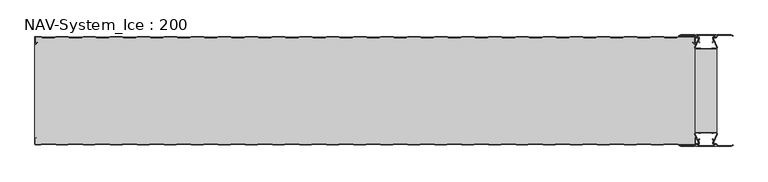
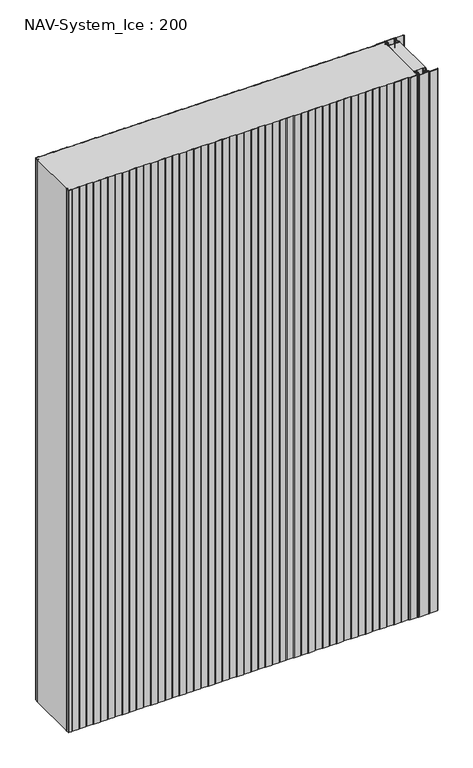
"""IFC4 building model written with IfcOpenShell, lengths in millimetres: plate geometry, NAV-System_Ice : 200."""

from ifc_helpers import new_model, si_unit, point, frame_2d, origin, origin_with_axes, place, context, project, spatial, polyline, circle_curve, trimmed, segment, composite_curve, outline, extrude, source, transform, mapped, element, save


def nav_system_ice_200_26bb3e6f(model_context):
    return source(origin(), model_context, "Body", "SweptSolid", [
        extrude(outline(polyline([(630.0, -176.9693935), (590.0, -176.9693935), (590.0, -23.0306065), (630.0, -23.0306065), (630.0, -176.9693935)])), origin_with_axes(), (0.0, 0.0, 1.0), 2000.0),
        extrude(outline(composite_curve([segment(trimmed(circle_curve(frame_2d((599.1138734, -191.8417863)), 3.357884), [point((596.1169606, -193.3563483))], [point((597.7243711, -188.7848813))], False, "CARTESIAN"), True, "CONTINUOUS"), segment(polyline([(597.7243711, -188.7848813), (598.0554135, -189.5131744)]), True, "CONTINUOUS"), segment(trimmed(circle_curve(frame_2d((599.1138734, -191.8417863)), 2.557884), [point((598.0554135, -189.5131744))], [point((596.8448746, -193.0226397))], True, "CARTESIAN"), True, "CONTINUOUS"), segment(polyline([(596.8448746, -193.0226397), (597.7376807, -195.2182139)]), True, "CONTINUOUS"), segment(trimmed(circle_curve(frame_2d((593.7962884, -196.3456266)), 4.0994674), [point((597.7376807, -195.2182139))], [point((593.7866434, -200.4450826))], False, "CARTESIAN"), True, "CONTINUOUS"), segment(polyline([(593.7866434, -200.4450826), (592.2194901, -200.4092333)]), True, "CONTINUOUS"), segment(trimmed(circle_curve(frame_2d((592.2592624, -201.3027113)), 0.8943628), [point((592.2194901, -200.4092333))], [point((592.2592624, -202.1970741))], True, "CARTESIAN"), True, "CONTINUOUS"), segment(polyline([(592.2592624, -202.1970741), (627.7407376, -202.1970741)]), True, "CONTINUOUS"), segment(trimmed(circle_curve(frame_2d((627.7407376, -201.3027113)), 0.8943628), [point((627.7407376, -202.1970741))], [point((627.7805099, -200.4092333))], True, "CARTESIAN"), True, "CONTINUOUS"), segment(polyline([(627.7805099, -200.4092333), (626.2133566, -200.4450826)]), True, "CONTINUOUS"), segment(trimmed(circle_curve(frame_2d((626.2037116, -196.3456266)), 4.0994674), [point((626.2133566, -200.4450826))], [point((622.2623193, -195.2182139))], False, "CARTESIAN"), True, "CONTINUOUS"), segment(polyline([(622.2623193, -195.2182139), (623.1551254, -193.0226397)]), True, "CONTINUOUS"), segment(trimmed(circle_curve(frame_2d((620.8861266, -191.8417863)), 2.557884), [point((623.1551254, -193.0226397))], [point((621.9445865, -189.5131744))], True, "CARTESIAN"), True, "CONTINUOUS"), segment(polyline([(621.9445865, -189.5131744), (622.2756289, -188.7848813)]), True, "CONTINUOUS"), segment(trimmed(circle_curve(frame_2d((620.8861266, -191.8417863)), 3.357884), [point((622.2756289, -188.7848813))], [point((623.8830394, -193.3563483))], False, "CARTESIAN"), True, "CONTINUOUS"), segment(polyline([(623.8830394, -193.3563483), (623.0205049, -195.4774793)]), True, "CONTINUOUS"), segment(trimmed(circle_curve(frame_2d((626.2037116, -196.3456266)), 3.2994674), [point((623.0205049, -195.4774793))], [point((626.2037116, -199.645094))], True, "CARTESIAN"), True, "CONTINUOUS"), segment(polyline([(626.2037116, -199.645094), (627.7848884, -199.6089239)]), True, "CONTINUOUS"), segment(trimmed(circle_curve(frame_2d((627.7407376, -201.3027113)), 1.6943628), [point((627.7848884, -199.6089239))], [point((627.7407423, -202.9970741))], False, "CARTESIAN"), True, "CONTINUOUS"), segment(polyline([(627.7407423, -202.9970741), (592.2592577, -202.9970741)]), True, "CONTINUOUS"), segment(trimmed(circle_curve(frame_2d((592.2592624, -201.3027113)), 1.6943628), [point((592.2592577, -202.9970741))], [point((592.2151116, -199.6089239))], False, "CARTESIAN"), True, "CONTINUOUS"), segment(polyline([(592.2151116, -199.6089239), (593.7962884, -199.645094)]), True, "CONTINUOUS"), segment(trimmed(circle_curve(frame_2d((593.7962884, -196.3456266)), 3.2994674), [point((593.7962884, -199.645094))], [point((596.9794951, -195.4774793))], True, "CARTESIAN"), True, "CONTINUOUS"), segment(polyline([(596.9794951, -195.4774793), (596.1169606, -193.3563483)]), True, "CONTINUOUS")], self_intersect=False)), origin_with_axes(), (0.0, 0.0, 1.0), 2000.0),
        extrude(outline(composite_curve([segment(polyline([(596.1169606, -6.6436517), (596.9794951, -4.5225207)]), True, "CONTINUOUS"), segment(trimmed(circle_curve(frame_2d((593.7962884, -3.6543734)), 3.2994674), [point((596.9794951, -4.5225207))], [point((593.7962884, -0.354906))], True, "CARTESIAN"), True, "CONTINUOUS"), segment(polyline([(593.7962884, -0.354906), (592.2151116, -0.3910761)]), True, "CONTINUOUS"), segment(trimmed(circle_curve(frame_2d((592.2592624, 1.3027113)), 1.6943628), [point((592.2151116, -0.3910761))], [point((592.2592577, 2.9970741))], False, "CARTESIAN"), True, "CONTINUOUS"), segment(polyline([(592.2592577, 2.9970741), (627.7407423, 2.9970741)]), True, "CONTINUOUS"), segment(trimmed(circle_curve(frame_2d((627.7407376, 1.3027113)), 1.6943628), [point((627.7407423, 2.9970741))], [point((627.7848884, -0.3910761))], False, "CARTESIAN"), True, "CONTINUOUS"), segment(polyline([(627.7848884, -0.3910761), (626.2037116, -0.354906)]), True, "CONTINUOUS"), segment(trimmed(circle_curve(frame_2d((626.2037116, -3.6543734)), 3.2994674), [point((626.2037116, -0.354906))], [point((623.0205049, -4.5225207))], True, "CARTESIAN"), True, "CONTINUOUS"), segment(polyline([(623.0205049, -4.5225207), (623.8830394, -6.6436517)]), True, "CONTINUOUS"), segment(trimmed(circle_curve(frame_2d((620.8861266, -8.1582137)), 3.357884), [point((623.8830394, -6.6436517))], [point((622.2756289, -11.2151187))], False, "CARTESIAN"), True, "CONTINUOUS"), segment(polyline([(622.2756289, -11.2151187), (621.9445865, -10.4868256)]), True, "CONTINUOUS"), segment(trimmed(circle_curve(frame_2d((620.8861266, -8.1582137)), 2.557884), [point((621.9445865, -10.4868256))], [point((623.1551254, -6.9773603))], True, "CARTESIAN"), True, "CONTINUOUS"), segment(polyline([(623.1551254, -6.9773603), (622.2623193, -4.7817861)]), True, "CONTINUOUS"), segment(trimmed(circle_curve(frame_2d((626.2037116, -3.6543734)), 4.0994674), [point((622.2623193, -4.7817861))], [point((626.2133566, 0.4450826))], False, "CARTESIAN"), True, "CONTINUOUS"), segment(polyline([(626.2133566, 0.4450826), (627.7805099, 0.4092333)]), True, "CONTINUOUS"), segment(trimmed(circle_curve(frame_2d((627.7407376, 1.3027113)), 0.8943628), [point((627.7805099, 0.4092333))], [point((627.7407376, 2.1970741))], True, "CARTESIAN"), True, "CONTINUOUS"), segment(polyline([(627.7407376, 2.1970741), (592.2592624, 2.1970741)]), True, "CONTINUOUS"), segment(trimmed(circle_curve(frame_2d((592.2592624, 1.3027113)), 0.8943628), [point((592.2592624, 2.1970741))], [point((592.2194901, 0.4092333))], True, "CARTESIAN"), True, "CONTINUOUS"), segment(polyline([(592.2194901, 0.4092333), (593.7866434, 0.4450826)]), True, "CONTINUOUS"), segment(trimmed(circle_curve(frame_2d((593.7962884, -3.6543734)), 4.0994674), [point((593.7866434, 0.4450826))], [point((597.7376807, -4.7817861))], False, "CARTESIAN"), True, "CONTINUOUS"), segment(polyline([(597.7376807, -4.7817861), (596.8448746, -6.9773603)]), True, "CONTINUOUS"), segment(trimmed(circle_curve(frame_2d((599.1138734, -8.1582137)), 2.557884), [point((596.8448746, -6.9773603))], [point((598.0554135, -10.4868256))], True, "CARTESIAN"), True, "CONTINUOUS"), segment(polyline([(598.0554135, -10.4868256), (597.7243711, -11.2151187)]), True, "CONTINUOUS"), segment(trimmed(circle_curve(frame_2d((599.1138734, -8.1582137)), 3.357884), [point((597.7243711, -11.2151187))], [point((596.1169606, -6.6436517))], False, "CARTESIAN"), True, "CONTINUOUS")], self_intersect=False)), origin_with_axes(), (0.0, 0.0, 1.0), 2000.0),
        extrude(outline(composite_curve([segment(trimmed(circle_curve(frame_2d((591.9446371, -179.7746821)), 1.80576), [point((591.9446371, -177.9689221))], [point((590.2170288, -180.300171))], True, "CARTESIAN"), True, "CONTINUOUS"), segment(polyline([(590.2170288, -180.300171), (596.4690067, -194.9459892)]), True, "CONTINUOUS"), segment(trimmed(circle_curve(frame_2d((593.7254406, -195.9868127)), 2.93436), [point((596.4690067, -194.9459892))], [point((593.7254406, -198.9211727))], False, "CARTESIAN"), True, "CONTINUOUS"), segment(polyline([(593.7254406, -198.9211727), (592.1347887, -198.9211727)]), True, "CONTINUOUS"), segment(trimmed(circle_curve(frame_2d((592.1347887, -200.5012127)), 1.58004), [point((592.1347887, -198.9211727))], [point((590.931072, -199.4776931))], True, "CARTESIAN"), True, "CONTINUOUS"), segment(polyline([(590.931072, -199.4776931), (589.0191946, -203.0112573), (562.9417977, -203.0112573), (560.0, -201.2043676), (560.523373, -200.3522639), (563.2243806, -202.0112573), (588.4232658, -202.0112573), (590.0952671, -198.9210361)]), True, "CONTINUOUS"), segment(trimmed(circle_curve(frame_2d((592.1347887, -200.5012127)), 2.58004), [point((590.0952671, -198.9210361))], [point((592.1347887, -197.9211727))], False, "CARTESIAN"), True, "CONTINUOUS"), segment(polyline([(592.1347887, -197.9211727), (593.7254406, -197.9211727)]), True, "CONTINUOUS"), segment(trimmed(circle_curve(frame_2d((593.7254406, -195.9868127)), 1.93436), [point((593.7254406, -197.9211727))], [point((595.5404425, -195.3178459))], True, "CARTESIAN"), True, "CONTINUOUS"), segment(polyline([(595.5404425, -195.3178459), (589.2784311, -180.6484726)]), True, "CONTINUOUS"), segment(trimmed(circle_curve(frame_2d((591.9446225, -179.7747413)), 2.8057055), [point((589.2784311, -180.6484726))], [point((591.9446225, -176.9690357))], False, "CARTESIAN"), True, "CONTINUOUS"), segment(polyline([(591.9446225, -176.9690357), (595.755568, -176.9690357)]), True, "CONTINUOUS"), segment(trimmed(circle_curve(frame_2d((595.7555679, -179.0975873)), 2.1285516), [point((595.755568, -176.9690357))], [point((597.1042828, -177.4508633))], False, "CARTESIAN"), True, "CONTINUOUS"), segment(trimmed(circle_curve(frame_2d((598.2552034, -176.0456377)), 1.8163913), [point((597.1042828, -177.4508633))], [point((599.4059468, -177.4510085))], True, "CARTESIAN"), True, "CONTINUOUS"), segment(trimmed(circle_curve(frame_2d((600.7543352, -179.0977575)), 2.128364), [point((599.4059468, -177.4510085))], [point((600.7543352, -176.9693935))], False, "CARTESIAN"), True, "CONTINUOUS"), segment(polyline([(600.7543352, -176.9693935), (619.2454674, -176.9693935)]), True, "CONTINUOUS"), segment(trimmed(circle_curve(frame_2d((619.2454674, -179.0977884)), 2.1283949), [point((619.2454674, -176.9693935))], [point((620.594293, -177.4513576))], False, "CARTESIAN"), True, "CONTINUOUS"), segment(trimmed(circle_curve(frame_2d((621.7456338, -176.0459847)), 1.8167715), [point((620.594293, -177.4513576))], [point((622.8963798, -177.4518446))], True, "CARTESIAN"), True, "CONTINUOUS"), segment(trimmed(circle_curve(frame_2d((624.244105, -179.0983528)), 2.1277576), [point((622.8963798, -177.4518446))], [point((624.244105, -176.9705952))], False, "CARTESIAN"), True, "CONTINUOUS"), segment(polyline([(624.244105, -176.9705952), (628.0535675, -176.9705952)]), True, "CONTINUOUS"), segment(trimmed(circle_curve(frame_2d((628.0535675, -179.7787791)), 2.8081839), [point((628.0535675, -176.9705952))], [point((630.7287795, -180.6326746))], False, "CARTESIAN"), True, "CONTINUOUS"), segment(polyline([(630.7287795, -180.6326746), (624.4595575, -195.3178459)]), True, "CONTINUOUS"), segment(trimmed(circle_curve(frame_2d((626.2745595, -195.9868127)), 1.93436), [point((624.4595575, -195.3178459))], [point((626.2745595, -197.9211727))], True, "CARTESIAN"), True, "CONTINUOUS"), segment(polyline([(626.2745595, -197.9211727), (627.8652113, -197.9211727)]), True, "CONTINUOUS"), segment(trimmed(circle_curve(frame_2d((627.8652113, -200.5012127)), 2.58004), [point((627.8652113, -197.9211727))], [point((629.9047329, -198.9210361))], False, "CARTESIAN"), True, "CONTINUOUS"), segment(polyline([(629.9047329, -198.9210361), (631.5767342, -202.0112573), (656.7756194, -202.0112573), (659.476627, -200.3522639), (660.0, -201.2043676), (657.0582024, -203.0112573), (630.9808054, -203.0112573), (629.068928, -199.4776931)]), True, "CONTINUOUS"), segment(trimmed(circle_curve(frame_2d((627.8652113, -200.5012127)), 1.58004), [point((629.068928, -199.4776931))], [point((627.8652113, -198.9211727))], True, "CARTESIAN"), True, "CONTINUOUS"), segment(polyline([(627.8652113, -198.9211727), (626.2745595, -198.9211727)]), True, "CONTINUOUS"), segment(trimmed(circle_curve(frame_2d((626.2745595, -195.9868127)), 2.93436), [point((626.2745595, -198.9211727))], [point((623.5309933, -194.9459892))], False, "CARTESIAN"), True, "CONTINUOUS"), segment(polyline([(623.5309933, -194.9459892), (629.7829713, -180.300171)]), True, "CONTINUOUS"), segment(trimmed(circle_curve(frame_2d((628.0553629, -179.7746822)), 1.80576), [point((629.7829713, -180.300171))], [point((628.0553629, -177.9689222))], True, "CARTESIAN"), True, "CONTINUOUS"), segment(polyline([(628.0553629, -177.9689222), (623.5184731, -177.9689222)]), True, "CONTINUOUS"), segment(trimmed(circle_curve(frame_2d((621.7449981, -176.0455076)), 2.6162449), [point((623.5184731, -177.9689222))], [point((619.7766029, -177.7689222))], False, "CARTESIAN"), True, "CONTINUOUS"), segment(polyline([(619.7766029, -177.7689222), (600.2233971, -177.7689222)]), True, "CONTINUOUS"), segment(trimmed(circle_curve(frame_2d((598.255002, -176.0455076)), 2.6162449), [point((600.2233971, -177.7689222))], [point((596.4815269, -177.9689221))], False, "CARTESIAN"), True, "CONTINUOUS"), segment(polyline([(596.4815269, -177.9689221), (591.9446371, -177.9689221)]), True, "CONTINUOUS")], self_intersect=False)), origin_with_axes(), (0.0, 0.0, 1.0), 2000.0),
        extrude(outline(composite_curve([segment(polyline([(591.9446371, -22.0310778), (596.4815269, -22.0310778)]), True, "CONTINUOUS"), segment(trimmed(circle_curve(frame_2d((598.2550019, -23.9544924)), 2.6162449), [point((596.4815269, -22.0310778))], [point((600.2233971, -22.2310778))], False, "CARTESIAN"), True, "CONTINUOUS"), segment(polyline([(600.2233971, -22.2310778), (619.7766029, -22.2310778)]), True, "CONTINUOUS"), segment(trimmed(circle_curve(frame_2d((621.7449981, -23.9544924)), 2.6162449), [point((619.7766029, -22.2310778))], [point((623.5184731, -22.0310778))], False, "CARTESIAN"), True, "CONTINUOUS"), segment(polyline([(623.5184731, -22.0310778), (628.0553629, -22.0310778)]), True, "CONTINUOUS"), segment(trimmed(circle_curve(frame_2d((628.0553629, -20.2253178)), 1.80576), [point((628.0553629, -22.0310778))], [point((629.7829712, -19.699829))], True, "CARTESIAN"), True, "CONTINUOUS"), segment(polyline([(629.7829712, -19.699829), (623.5309933, -5.0540108)]), True, "CONTINUOUS"), segment(trimmed(circle_curve(frame_2d((626.2745594, -4.0131873)), 2.93436), [point((623.5309933, -5.0540108))], [point((626.2745594, -1.0788273))], False, "CARTESIAN"), True, "CONTINUOUS"), segment(polyline([(626.2745594, -1.0788273), (627.8652113, -1.0788273)]), True, "CONTINUOUS"), segment(trimmed(circle_curve(frame_2d((627.8652113, 0.5012127)), 1.58004), [point((627.8652113, -1.0788273))], [point((629.068928, -0.5223069))], True, "CARTESIAN"), True, "CONTINUOUS"), segment(polyline([(629.068928, -0.5223069), (630.9808054, 3.0112573), (657.0582023, 3.0112573), (660.0, 1.2043676), (659.476627, 0.3522639), (656.7756194, 2.0112573), (631.5767342, 2.0112573), (629.9047329, -1.0789639)]), True, "CONTINUOUS"), segment(trimmed(circle_curve(frame_2d((627.8652113, 0.5012127)), 2.58004), [point((629.9047329, -1.0789639))], [point((627.8652113, -2.0788273))], False, "CARTESIAN"), True, "CONTINUOUS"), segment(polyline([(627.8652113, -2.0788273), (626.2745594, -2.0788273)]), True, "CONTINUOUS"), segment(trimmed(circle_curve(frame_2d((626.2745594, -4.0131873)), 1.93436), [point((626.2745594, -2.0788273))], [point((624.4595575, -4.6821541))], True, "CARTESIAN"), True, "CONTINUOUS"), segment(polyline([(624.4595575, -4.6821541), (630.7287795, -19.3673254)]), True, "CONTINUOUS"), segment(trimmed(circle_curve(frame_2d((628.0535675, -20.2212209)), 2.8081839), [point((630.7287795, -19.3673254))], [point((628.0535675, -23.0294048))], False, "CARTESIAN"), True, "CONTINUOUS"), segment(polyline([(628.0535675, -23.0294048), (624.244105, -23.0294048)]), True, "CONTINUOUS"), segment(trimmed(circle_curve(frame_2d((624.244105, -20.9016472)), 2.1277576), [point((624.244105, -23.0294048))], [point((622.8963798, -22.5481554))], False, "CARTESIAN"), True, "CONTINUOUS"), segment(trimmed(circle_curve(frame_2d((621.7456337, -23.9540153)), 1.8167716), [point((622.8963798, -22.5481554))], [point((620.5942929, -22.5486423))], True, "CARTESIAN"), True, "CONTINUOUS"), segment(trimmed(circle_curve(frame_2d((619.2454674, -20.9022116)), 2.1283949), [point((620.5942929, -22.5486423))], [point((619.2454674, -23.0306065))], False, "CARTESIAN"), True, "CONTINUOUS"), segment(polyline([(619.2454674, -23.0306065), (600.7543352, -23.0306065)]), True, "CONTINUOUS"), segment(trimmed(circle_curve(frame_2d((600.7543352, -20.9022425)), 2.128364), [point((600.7543352, -23.0306065))], [point((599.4059468, -22.5489915))], False, "CARTESIAN"), True, "CONTINUOUS"), segment(trimmed(circle_curve(frame_2d((598.2552034, -23.9543623)), 1.8163912), [point((599.4059468, -22.5489915))], [point((597.1042828, -22.5491367))], True, "CARTESIAN"), True, "CONTINUOUS"), segment(trimmed(circle_curve(frame_2d((595.7555679, -20.9024127)), 2.1285516), [point((597.1042828, -22.5491367))], [point((595.7555679, -23.0309643))], False, "CARTESIAN"), True, "CONTINUOUS"), segment(polyline([(595.7555679, -23.0309643), (591.9446225, -23.0309643)]), True, "CONTINUOUS"), segment(trimmed(circle_curve(frame_2d((591.9446225, -20.2252587)), 2.8057055), [point((591.9446225, -23.0309643))], [point((589.2784311, -19.3515274))], False, "CARTESIAN"), True, "CONTINUOUS"), segment(polyline([(589.2784311, -19.3515274), (595.5404425, -4.6821541)]), True, "CONTINUOUS"), segment(trimmed(circle_curve(frame_2d((593.7254406, -4.0131873)), 1.93436), [point((595.5404425, -4.6821541))], [point((593.7254406, -2.0788273))], True, "CARTESIAN"), True, "CONTINUOUS"), segment(polyline([(593.7254406, -2.0788273), (592.1347887, -2.0788273)]), True, "CONTINUOUS"), segment(trimmed(circle_curve(frame_2d((592.1347887, 0.5012127)), 2.58004), [point((592.1347887, -2.0788273))], [point((590.0952671, -1.0789639))], False, "CARTESIAN"), True, "CONTINUOUS"), segment(polyline([(590.0952671, -1.0789639), (588.4232658, 2.0112573), (563.2243806, 2.0112573), (560.523373, 0.3522639), (560.0, 1.2043676), (562.9417977, 3.0112573), (589.0191946, 3.0112573), (590.931072, -0.5223069)]), True, "CONTINUOUS"), segment(trimmed(circle_curve(frame_2d((592.1347887, 0.5012127)), 1.58004), [point((590.931072, -0.5223069))], [point((592.1347887, -1.0788273))], True, "CARTESIAN"), True, "CONTINUOUS"), segment(polyline([(592.1347887, -1.0788273), (593.7254406, -1.0788273)]), True, "CONTINUOUS"), segment(trimmed(circle_curve(frame_2d((593.7254406, -4.0131873)), 2.93436), [point((593.7254406, -1.0788273))], [point((596.4690067, -5.0540108))], False, "CARTESIAN"), True, "CONTINUOUS"), segment(polyline([(596.4690067, -5.0540108), (590.2170288, -19.699829)]), True, "CONTINUOUS"), segment(trimmed(circle_curve(frame_2d((591.9446371, -20.2253178)), 1.80576), [point((590.2170288, -19.699829))], [point((591.9446371, -22.0310778))], True, "CARTESIAN"), True, "CONTINUOUS")], self_intersect=False)), origin_with_axes(), (0.0, 0.0, 1.0), 2000.0),
        extrude(outline(composite_curve([segment(polyline([(559.1298221, -0.8), (556.1298221, -1.8), (533.8701779, -1.8), (530.8701779, -0.8), (509.1298221, -0.8), (506.1298221, -1.8), (483.8701779, -1.8), (480.8701779, -0.8), (459.1298221, -0.8), (456.1298221, -1.8), (433.8701779, -1.8), (430.8701779, -0.8), (409.1298221, -0.8), (406.1298221, -1.8), (383.8701779, -1.8), (380.8701779, -0.8), (359.1298221, -0.8), (356.1298221, -1.8), (333.8701779, -1.8), (330.8701779, -0.8), (309.1298221, -0.8), (306.1298221, -1.8), (283.8701779, -1.8), (280.8701779, -0.8), (259.1298221, -0.8), (256.1298221, -1.8), (233.8701779, -1.8), (230.8701779, -0.8), (209.1298221, -0.8), (206.1298221, -1.8), (183.8701779, -1.8), (180.8701779, -0.8), (159.1298221, -0.8), (156.1298221, -1.8), (133.8701779, -1.8), (130.8701779, -0.8), (109.1298221, -0.8), (106.1298221, -1.8), (83.8701779, -1.8), (80.8701779, -0.8), (59.1298221, -0.8), (56.1298221, -1.8), (33.8701779, -1.8), (30.8701779, -0.8), (9.1298221, -0.8), (6.1298221, -1.8), (-16.1298221, -1.8), (-19.1298221, -0.8), (-40.8701779, -0.8), (-43.8701779, -1.8), (-66.1298221, -1.8), (-69.1298221, -0.8), (-90.8701779, -0.8), (-93.8701779, -1.8), (-116.1298221, -1.8), (-119.1298221, -0.8), (-140.8701779, -0.8), (-143.8701779, -1.8), (-166.1298221, -1.8), (-169.1298221, -0.8), (-190.8701779, -0.8), (-193.8701779, -1.8), (-216.1298221, -1.8), (-219.1298221, -0.8), (-240.8701779, -0.8), (-243.8701779, -1.8), (-266.1298221, -1.8), (-269.1298221, -0.8), (-290.8701779, -0.8), (-293.8701779, -1.8), (-316.1298221, -1.8), (-319.1298221, -0.8), (-340.8701779, -0.8), (-343.8701779, -1.8), (-366.1298221, -1.8), (-369.1298221, -0.8), (-390.8701779, -0.8), (-393.8701779, -1.8), (-416.1298221, -1.8), (-419.1298221, -0.8), (-440.8701779, -0.8), (-443.8701779, -1.8), (-466.1298221, -1.8), (-469.1298221, -0.8), (-490.8701779, -0.8), (-493.8701779, -1.8), (-516.1298221, -1.8), (-519.1298221, -0.8), (-540.8701779, -0.8), (-543.8701779, -1.8), (-566.1298221, -1.8), (-569.1298221, -0.8), (-590.8701779, -0.8), (-593.8701779, -1.8), (-616.1298221, -1.8), (-619.1298221, -0.8), (-628.7, -0.8)]), True, "CONTINUOUS"), segment(trimmed(circle_curve(frame_2d((-628.7, -1.3)), 0.5), [point((-628.7, -0.8))], [point((-629.2, -1.3))], True, "CARTESIAN"), True, "CONTINUOUS"), segment(polyline([(-629.2, -1.3), (-629.2, -12.5857864)]), True, "CONTINUOUS"), segment(trimmed(circle_curve(frame_2d((-628.7, -12.5857864)), 0.5), [point((-629.2, -12.5857864))], [point((-628.3464466, -12.9393398))], True, "CARTESIAN"), True, "CONTINUOUS"), segment(polyline([(-628.3464466, -12.9393398), (-625.9205321, -10.5134253), (-625.3548467, -11.0791108), (-627.7807612, -13.5050253)]), True, "CONTINUOUS"), segment(trimmed(circle_curve(frame_2d((-628.7, -12.5857864)), 1.3), [point((-627.7807612, -13.5050253))], [point((-630.0, -12.5857864))], False, "CARTESIAN"), True, "CONTINUOUS"), segment(polyline([(-630.0, -12.5857864), (-630.0, -1.3)]), True, "CONTINUOUS"), segment(trimmed(circle_curve(frame_2d((-628.7, -1.3)), 1.3), [point((-630.0, -1.3))], [point((-628.7, 0.0))], False, "CARTESIAN"), True, "CONTINUOUS"), segment(polyline([(-628.7, 0.0), (-619.0, 0.0), (-616.0, -1.0), (-594.0, -1.0), (-591.0, 0.0), (-569.0, 0.0), (-566.0, -1.0), (-544.0, -1.0), (-541.0, 0.0), (-519.0, 0.0), (-516.0, -1.0), (-494.0, -1.0), (-491.0, 0.0), (-469.0, 0.0), (-466.0, -1.0), (-444.0, -1.0), (-441.0, 0.0), (-419.0, 0.0), (-416.0, -1.0), (-394.0, -1.0), (-391.0, 0.0), (-369.0, 0.0), (-366.0, -1.0), (-344.0, -1.0), (-341.0, 0.0), (-319.0, 0.0), (-316.0, -1.0), (-294.0, -1.0), (-291.0, 0.0), (-269.0, 0.0), (-266.0, -1.0), (-244.0, -1.0), (-241.0, 0.0), (-219.0, 0.0), (-216.0, -1.0), (-194.0, -1.0), (-191.0, 0.0), (-169.0, 0.0), (-166.0, -1.0), (-144.0, -1.0), (-141.0, 0.0), (-119.0, 0.0), (-116.0, -1.0), (-94.0, -1.0), (-91.0, 0.0), (-69.0, 0.0), (-66.0, -1.0), (-44.0, -1.0), (-41.0, 0.0), (-19.0, 0.0), (-16.0, -1.0), (6.0, -1.0), (9.0, 0.0), (31.0, 0.0), (34.0, -1.0), (56.0, -1.0), (59.0, 0.0), (81.0, 0.0), (84.0, -1.0), (106.0, -1.0), (109.0, 0.0), (131.0, 0.0), (134.0, -1.0), (156.0, -1.0), (159.0, 0.0), (181.0, 0.0), (184.0, -1.0), (206.0, -1.0), (209.0, 0.0), (231.0, 0.0), (234.0, -1.0), (256.0, -1.0), (259.0, 0.0), (281.0, 0.0), (284.0, -1.0), (306.0, -1.0), (309.0, 0.0), (331.0, 0.0), (334.0, -1.0), (356.0, -1.0), (359.0, 0.0), (381.0, 0.0), (384.0, -1.0), (406.0, -1.0), (409.0, 0.0), (431.0, 0.0), (434.0, -1.0), (456.0, -1.0), (459.0, 0.0), (481.0, 0.0), (484.0, -1.0), (506.0, -1.0), (509.0, 0.0), (531.0, 0.0), (534.0, -1.0), (556.0, -1.0), (559.0, 0.0), (588.7, 0.0)]), True, "CONTINUOUS"), segment(trimmed(circle_curve(frame_2d((588.7, -1.3)), 1.3), [point((588.7, 0.0))], [point((590.0, -1.3))], False, "CARTESIAN"), True, "CONTINUOUS"), segment(polyline([(590.0, -1.3), (590.0, -12.5857864)]), True, "CONTINUOUS"), segment(trimmed(circle_curve(frame_2d((588.7, -12.5857864)), 1.3), [point((590.0, -12.5857864))], [point((587.7807612, -13.5050253))], False, "CARTESIAN"), True, "CONTINUOUS"), segment(polyline([(587.7807612, -13.5050253), (585.3548467, -11.0791108), (585.9205321, -10.5134253), (588.3464466, -12.9393398)]), True, "CONTINUOUS"), segment(trimmed(circle_curve(frame_2d((588.7, -12.5857864)), 0.5), [point((588.3464466, -12.9393398))], [point((589.2, -12.5857864))], True, "CARTESIAN"), True, "CONTINUOUS"), segment(polyline([(589.2, -12.5857864), (589.2, -1.3)]), True, "CONTINUOUS"), segment(trimmed(circle_curve(frame_2d((588.7, -1.3)), 0.5), [point((589.2, -1.3))], [point((588.7, -0.8))], True, "CARTESIAN"), True, "CONTINUOUS"), segment(polyline([(588.7, -0.8), (559.1298221, -0.8)]), True, "CONTINUOUS")], self_intersect=False)), origin_with_axes(), (0.0, 0.0, 1.0), 2000.0),
        extrude(outline(composite_curve([segment(polyline([(559.1298221, -0.8), (588.7, -0.8)]), True, "CONTINUOUS"), segment(trimmed(circle_curve(frame_2d((588.7, -1.3)), 0.5), [point((588.7, -0.8))], [point((589.2, -1.3))], False, "CARTESIAN"), True, "CONTINUOUS"), segment(polyline([(589.2, -1.3), (589.2, -12.5857864)]), True, "CONTINUOUS"), segment(trimmed(circle_curve(frame_2d((588.7, -12.5857864)), 0.5), [point((589.2, -12.5857864))], [point((588.3464466, -12.9393398))], False, "CARTESIAN"), True, "CONTINUOUS"), segment(polyline([(588.3464466, -12.9393398), (585.9205321, -10.5134253), (585.3548467, -11.0791108), (587.7807612, -13.5050253)]), True, "CONTINUOUS"), segment(trimmed(circle_curve(frame_2d((588.7, -12.5857864)), 1.3), [point((587.7807612, -13.5050253))], [point((588.7, -13.8857864))], True, "CARTESIAN"), True, "CONTINUOUS"), segment(polyline([(588.7, -13.8857864), (590.0, -13.8857864), (590.0, -186.1142136), (588.7, -186.1142136)]), True, "CONTINUOUS"), segment(trimmed(circle_curve(frame_2d((588.7, -187.4142136)), 1.3), [point((588.7, -186.1142136))], [point((587.7807612, -186.4949747))], True, "CARTESIAN"), True, "CONTINUOUS"), segment(polyline([(587.7807612, -186.4949747), (585.3548467, -188.9208892), (585.9205321, -189.4865747), (588.3464466, -187.0606602)]), True, "CONTINUOUS"), segment(trimmed(circle_curve(frame_2d((588.7, -187.4142136)), 0.5), [point((588.3464466, -187.0606602))], [point((589.2, -187.4142136))], False, "CARTESIAN"), True, "CONTINUOUS"), segment(polyline([(589.2, -187.4142136), (589.2, -198.7)]), True, "CONTINUOUS"), segment(trimmed(circle_curve(frame_2d((588.7, -198.7)), 0.5), [point((589.2, -198.7))], [point((588.7, -199.2))], False, "CARTESIAN"), True, "CONTINUOUS"), segment(polyline([(588.7, -199.2), (559.1298221, -199.2), (556.1298221, -198.2), (533.8701779, -198.2), (530.8701779, -199.2), (509.1298221, -199.2), (506.1298221, -198.2), (483.8701779, -198.2), (480.8701779, -199.2), (459.1298221, -199.2), (456.1298221, -198.2), (433.8701779, -198.2), (430.8701779, -199.2), (409.1298221, -199.2), (406.1298221, -198.2), (383.8701779, -198.2), (380.8701779, -199.2), (359.1298221, -199.2), (356.1298221, -198.2), (333.8701779, -198.2), (330.8701779, -199.2), (309.1298221, -199.2), (306.1298221, -198.2), (283.8701779, -198.2), (280.8701779, -199.2), (259.1298221, -199.2), (256.1298221, -198.2), (233.8701779, -198.2), (230.8701779, -199.2), (209.1298221, -199.2), (206.1298221, -198.2), (183.8701779, -198.2), (180.8701779, -199.2), (159.1298221, -199.2), (156.1298221, -198.2), (133.8701779, -198.2), (130.8701779, -199.2), (109.1298221, -199.2), (106.1298221, -198.2), (83.8701779, -198.2), (80.8701779, -199.2), (59.1298221, -199.2), (56.1298221, -198.2), (33.8701779, -198.2), (30.8701779, -199.2), (9.1298221, -199.2), (6.1298221, -198.2), (-16.1298221, -198.2), (-19.1298221, -199.2), (-40.8701779, -199.2), (-43.8701779, -198.2), (-66.1298221, -198.2), (-69.1298221, -199.2), (-90.8701779, -199.2), (-93.8701779, -198.2), (-116.1298221, -198.2), (-119.1298221, -199.2), (-140.8701779, -199.2), (-143.8701779, -198.2), (-166.1298221, -198.2), (-169.1298221, -199.2), (-190.8701779, -199.2), (-193.8701779, -198.2), (-216.1298221, -198.2), (-219.1298221, -199.2), (-240.8701779, -199.2), (-243.8701779, -198.2), (-266.1298221, -198.2), (-269.1298221, -199.2), (-290.8701779, -199.2), (-293.8701779, -198.2), (-316.1298221, -198.2), (-319.1298221, -199.2), (-340.8701779, -199.2), (-343.8701779, -198.2), (-366.1298221, -198.2), (-369.1298221, -199.2), (-390.8701779, -199.2), (-393.8701779, -198.2), (-416.1298221, -198.2), (-419.1298221, -199.2), (-440.8701779, -199.2), (-443.8701779, -198.2), (-466.1298221, -198.2), (-469.1298221, -199.2), (-490.8701779, -199.2), (-493.8701779, -198.2), (-516.1298221, -198.2), (-519.1298221, -199.2), (-540.8701779, -199.2), (-543.8701779, -198.2), (-566.1298221, -198.2), (-569.1298221, -199.2), (-590.8701779, -199.2), (-593.8701779, -198.2), (-616.1298221, -198.2), (-619.1298221, -199.2), (-628.7, -199.2)]), True, "CONTINUOUS"), segment(trimmed(circle_curve(frame_2d((-628.7, -198.7)), 0.5), [point((-628.7, -199.2))], [point((-629.2, -198.7))], False, "CARTESIAN"), True, "CONTINUOUS"), segment(polyline([(-629.2, -198.7), (-629.2, -187.4142136)]), True, "CONTINUOUS"), segment(trimmed(circle_curve(frame_2d((-628.7, -187.4142136)), 0.5), [point((-629.2, -187.4142136))], [point((-628.3464466, -187.0606602))], False, "CARTESIAN"), True, "CONTINUOUS"), segment(polyline([(-628.3464466, -187.0606602), (-625.9205321, -189.4865747), (-625.3548467, -188.9208892), (-627.7807612, -186.4949747)]), True, "CONTINUOUS"), segment(trimmed(circle_curve(frame_2d((-628.7, -187.4142136)), 1.3), [point((-627.7807612, -186.4949747))], [point((-628.7, -186.1142136))], True, "CARTESIAN"), True, "CONTINUOUS"), segment(polyline([(-628.7, -186.1142136), (-630.0, -186.1142136), (-630.0, -13.8857864), (-628.7, -13.8857864)]), True, "CONTINUOUS"), segment(trimmed(circle_curve(frame_2d((-628.7, -12.5857864)), 1.3), [point((-628.7, -13.8857864))], [point((-627.7807612, -13.5050253))], True, "CARTESIAN"), True, "CONTINUOUS"), segment(polyline([(-627.7807612, -13.5050253), (-625.3548467, -11.0791108), (-625.9205321, -10.5134253), (-628.3464466, -12.9393398)]), True, "CONTINUOUS"), segment(trimmed(circle_curve(frame_2d((-628.7, -12.5857864)), 0.5), [point((-628.3464466, -12.9393398))], [point((-629.2, -12.5857864))], False, "CARTESIAN"), True, "CONTINUOUS"), segment(polyline([(-629.2, -12.5857864), (-629.2, -1.3)]), True, "CONTINUOUS"), segment(trimmed(circle_curve(frame_2d((-628.7, -1.3)), 0.5), [point((-629.2, -1.3))], [point((-628.7, -0.8))], False, "CARTESIAN"), True, "CONTINUOUS"), segment(polyline([(-628.7, -0.8), (-619.1298221, -0.8), (-616.1298221, -1.8), (-593.8701779, -1.8), (-590.8701779, -0.8), (-569.1298221, -0.8), (-566.1298221, -1.8), (-543.8701779, -1.8), (-540.8701779, -0.8), (-519.1298221, -0.8), (-516.1298221, -1.8), (-493.8701779, -1.8), (-490.8701779, -0.8), (-469.1298221, -0.8), (-466.1298221, -1.8), (-443.8701779, -1.8), (-440.8701779, -0.8), (-419.1298221, -0.8), (-416.1298221, -1.8), (-393.8701779, -1.8), (-390.8701779, -0.8), (-369.1298221, -0.8), (-366.1298221, -1.8), (-343.8701779, -1.8), (-340.8701779, -0.8), (-319.1298221, -0.8), (-316.1298221, -1.8), (-293.8701779, -1.8), (-290.8701779, -0.8), (-269.1298221, -0.8), (-266.1298221, -1.8), (-243.8701779, -1.8), (-240.8701779, -0.8), (-219.1298221, -0.8), (-216.1298221, -1.8), (-193.8701779, -1.8), (-190.8701779, -0.8), (-169.1298221, -0.8), (-166.1298221, -1.8), (-143.8701779, -1.8), (-140.8701779, -0.8), (-119.1298221, -0.8), (-116.1298221, -1.8), (-93.8701779, -1.8), (-90.8701779, -0.8), (-69.1298221, -0.8), (-66.1298221, -1.8), (-43.8701779, -1.8), (-40.8701779, -0.8), (-19.1298221, -0.8), (-16.1298221, -1.8), (6.1298221, -1.8), (9.1298221, -0.8), (30.8701779, -0.8), (33.8701779, -1.8), (56.1298221, -1.8), (59.1298221, -0.8), (80.8701779, -0.8), (83.8701779, -1.8), (106.1298221, -1.8), (109.1298221, -0.8), (130.8701779, -0.8), (133.8701779, -1.8), (156.1298221, -1.8), (159.1298221, -0.8), (180.8701779, -0.8), (183.8701779, -1.8), (206.1298221, -1.8), (209.1298221, -0.8), (230.8701779, -0.8), (233.8701779, -1.8), (256.1298221, -1.8), (259.1298221, -0.8), (280.8701779, -0.8), (283.8701779, -1.8), (306.1298221, -1.8), (309.1298221, -0.8), (330.8701779, -0.8), (333.8701779, -1.8), (356.1298221, -1.8), (359.1298221, -0.8), (380.8701779, -0.8), (383.8701779, -1.8), (406.1298221, -1.8), (409.1298221, -0.8), (430.8701779, -0.8), (433.8701779, -1.8), (456.1298221, -1.8), (459.1298221, -0.8), (480.8701779, -0.8), (483.8701779, -1.8), (506.1298221, -1.8), (509.1298221, -0.8), (530.8701779, -0.8), (533.8701779, -1.8), (556.1298221, -1.8), (559.1298221, -0.8)]), True, "CONTINUOUS")], self_intersect=False)), origin_with_axes(), (0.0, 0.0, 1.0), 2000.0),
        extrude(outline(composite_curve([segment(polyline([(559.1298221, -199.2), (588.7, -199.2)]), True, "CONTINUOUS"), segment(trimmed(circle_curve(frame_2d((588.7, -198.7)), 0.5), [point((588.7, -199.2))], [point((589.2, -198.7))], True, "CARTESIAN"), True, "CONTINUOUS"), segment(polyline([(589.2, -198.7), (589.2, -187.4142136)]), True, "CONTINUOUS"), segment(trimmed(circle_curve(frame_2d((588.7, -187.4142136)), 0.5), [point((589.2, -187.4142136))], [point((588.3464466, -187.0606602))], True, "CARTESIAN"), True, "CONTINUOUS"), segment(polyline([(588.3464466, -187.0606602), (585.9205321, -189.4865747), (585.3548467, -188.9208892), (587.7807612, -186.4949747)]), True, "CONTINUOUS"), segment(trimmed(circle_curve(frame_2d((588.7, -187.4142136)), 1.3), [point((587.7807612, -186.4949747))], [point((590.0, -187.4142136))], False, "CARTESIAN"), True, "CONTINUOUS"), segment(polyline([(590.0, -187.4142136), (590.0, -198.7)]), True, "CONTINUOUS"), segment(trimmed(circle_curve(frame_2d((588.7, -198.7)), 1.3), [point((590.0, -198.7))], [point((588.7, -200.0))], False, "CARTESIAN"), True, "CONTINUOUS"), segment(polyline([(588.7, -200.0), (559.0, -200.0), (556.0, -199.0), (534.0, -199.0), (531.0, -200.0), (509.0, -200.0), (506.0, -199.0), (484.0, -199.0), (481.0, -200.0), (459.0, -200.0), (456.0, -199.0), (434.0, -199.0), (431.0, -200.0), (409.0, -200.0), (406.0, -199.0), (384.0, -199.0), (381.0, -200.0), (359.0, -200.0), (356.0, -199.0), (334.0, -199.0), (331.0, -200.0), (309.0, -200.0), (306.0, -199.0), (284.0, -199.0), (281.0, -200.0), (259.0, -200.0), (256.0, -199.0), (234.0, -199.0), (231.0, -200.0), (209.0, -200.0), (206.0, -199.0), (184.0, -199.0), (181.0, -200.0), (159.0, -200.0), (156.0, -199.0), (134.0, -199.0), (131.0, -200.0), (109.0, -200.0), (106.0, -199.0), (84.0, -199.0), (81.0, -200.0), (59.0, -200.0), (56.0, -199.0), (34.0, -199.0), (31.0, -200.0), (9.0, -200.0), (6.0, -199.0), (-16.0, -199.0), (-19.0, -200.0), (-41.0, -200.0), (-44.0, -199.0), (-66.0, -199.0), (-69.0, -200.0), (-91.0, -200.0), (-94.0, -199.0), (-116.0, -199.0), (-119.0, -200.0), (-141.0, -200.0), (-144.0, -199.0), (-166.0, -199.0), (-169.0, -200.0), (-191.0, -200.0), (-194.0, -199.0), (-216.0, -199.0), (-219.0, -200.0), (-241.0, -200.0), (-244.0, -199.0), (-266.0, -199.0), (-269.0, -200.0), (-291.0, -200.0), (-294.0, -199.0), (-316.0, -199.0), (-319.0, -200.0), (-341.0, -200.0), (-344.0, -199.0), (-366.0, -199.0), (-369.0, -200.0), (-391.0, -200.0), (-394.0, -199.0), (-416.0, -199.0), (-419.0, -200.0), (-441.0, -200.0), (-444.0, -199.0), (-466.0, -199.0), (-469.0, -200.0), (-491.0, -200.0), (-494.0, -199.0), (-516.0, -199.0), (-519.0, -200.0), (-541.0, -200.0), (-544.0, -199.0), (-566.0, -199.0), (-569.0, -200.0), (-591.0, -200.0), (-594.0, -199.0), (-616.0, -199.0), (-619.0, -200.0), (-628.7, -200.0)]), True, "CONTINUOUS"), segment(trimmed(circle_curve(frame_2d((-628.7, -198.7)), 1.3), [point((-628.7, -200.0))], [point((-630.0, -198.7))], False, "CARTESIAN"), True, "CONTINUOUS"), segment(polyline([(-630.0, -198.7), (-630.0, -187.4142136)]), True, "CONTINUOUS"), segment(trimmed(circle_curve(frame_2d((-628.7, -187.4142136)), 1.3), [point((-630.0, -187.4142136))], [point((-627.7807612, -186.4949747))], False, "CARTESIAN"), True, "CONTINUOUS"), segment(polyline([(-627.7807612, -186.4949747), (-625.3548467, -188.9208892), (-625.9205321, -189.4865747), (-628.3464466, -187.0606602)]), True, "CONTINUOUS"), segment(trimmed(circle_curve(frame_2d((-628.7, -187.4142136)), 0.5), [point((-628.3464466, -187.0606602))], [point((-629.2, -187.4142136))], True, "CARTESIAN"), True, "CONTINUOUS"), segment(polyline([(-629.2, -187.4142136), (-629.2, -198.7)]), True, "CONTINUOUS"), segment(trimmed(circle_curve(frame_2d((-628.7, -198.7)), 0.5), [point((-629.2, -198.7))], [point((-628.7, -199.2))], True, "CARTESIAN"), True, "CONTINUOUS"), segment(polyline([(-628.7, -199.2), (-619.1298221, -199.2), (-616.1298221, -198.2), (-593.8701779, -198.2), (-590.8701779, -199.2), (-569.1298221, -199.2), (-566.1298221, -198.2), (-543.8701779, -198.2), (-540.8701779, -199.2), (-519.1298221, -199.2), (-516.1298221, -198.2), (-493.8701779, -198.2), (-490.8701779, -199.2), (-469.1298221, -199.2), (-466.1298221, -198.2), (-443.8701779, -198.2), (-440.8701779, -199.2), (-419.1298221, -199.2), (-416.1298221, -198.2), (-393.8701779, -198.2), (-390.8701779, -199.2), (-369.1298221, -199.2), (-366.1298221, -198.2), (-343.8701779, -198.2), (-340.8701779, -199.2), (-319.1298221, -199.2), (-316.1298221, -198.2), (-293.8701779, -198.2), (-290.8701779, -199.2), (-269.1298221, -199.2), (-266.1298221, -198.2), (-243.8701779, -198.2), (-240.8701779, -199.2), (-219.1298221, -199.2), (-216.1298221, -198.2), (-193.8701779, -198.2), (-190.8701779, -199.2), (-169.1298221, -199.2), (-166.1298221, -198.2), (-143.8701779, -198.2), (-140.8701779, -199.2), (-119.1298221, -199.2), (-116.1298221, -198.2), (-93.8701779, -198.2), (-90.8701779, -199.2), (-69.1298221, -199.2), (-66.1298221, -198.2), (-43.8701779, -198.2), (-40.8701779, -199.2), (-19.1298221, -199.2), (-16.1298221, -198.2), (6.1298221, -198.2), (9.1298221, -199.2), (30.8701779, -199.2), (33.8701779, -198.2), (56.1298221, -198.2), (59.1298221, -199.2), (80.8701779, -199.2), (83.8701779, -198.2), (106.1298221, -198.2), (109.1298221, -199.2), (130.8701779, -199.2), (133.8701779, -198.2), (156.1298221, -198.2), (159.1298221, -199.2), (180.8701779, -199.2), (183.8701779, -198.2), (206.1298221, -198.2), (209.1298221, -199.2), (230.8701779, -199.2), (233.8701779, -198.2), (256.1298221, -198.2), (259.1298221, -199.2), (280.8701779, -199.2), (283.8701779, -198.2), (306.1298221, -198.2), (309.1298221, -199.2), (330.8701779, -199.2), (333.8701779, -198.2), (356.1298221, -198.2), (359.1298221, -199.2), (380.8701779, -199.2), (383.8701779, -198.2), (406.1298221, -198.2), (409.1298221, -199.2), (430.8701779, -199.2), (433.8701779, -198.2), (456.1298221, -198.2), (459.1298221, -199.2), (480.8701779, -199.2), (483.8701779, -198.2), (506.1298221, -198.2), (509.1298221, -199.2), (530.8701779, -199.2), (533.8701779, -198.2), (556.1298221, -198.2), (559.1298221, -199.2)]), True, "CONTINUOUS")], self_intersect=False)), origin_with_axes(), (0.0, 0.0, 1.0), 2000.0),
    ])


if __name__ == "__main__":
    model = new_model("IFC4")
    model_context = context("Model", 3, world=origin())
    ifc_project = project(units=[si_unit("LENGTHUNIT", "METRE", prefix="MILLI")], contexts=[model_context])
    site = spatial("IfcSite", under=ifc_project)
    building = spatial("IfcBuilding", under=site)
    placement = place(None, origin())
    nav_system_ice_200_shape = nav_system_ice_200_26bb3e6f(model_context)
    element("IfcPlate", 1, ObjectType="NAV-System_Ice : 200", at=placement, inside=building, context=model_context, shape_type="MappedRepresentation", body=[
        mapped(nav_system_ice_200_shape, transform((0.0, 0.0, 0.0), x_axis=(1.0, 0.0, 0.0), y_axis=(0.0, 1.0, 0.0), z_axis=(0.0, 0.0, 1.0))),
    ])
    save(model, "model.ifc")
